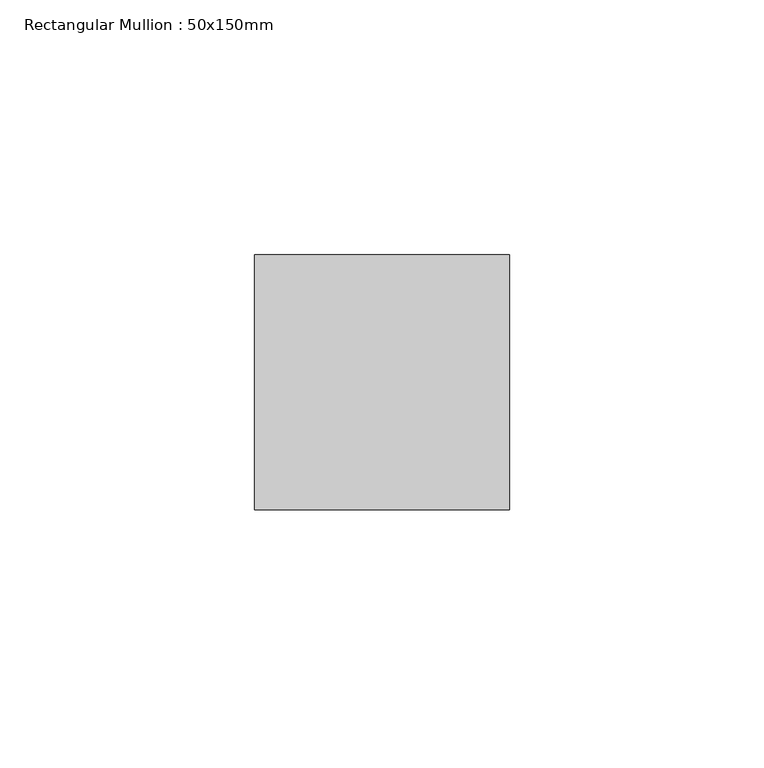
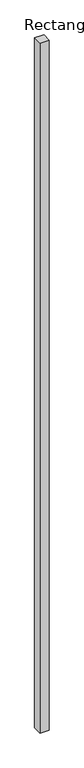
"""IFC4 building model written with IfcOpenShell, lengths in millimetres: member geometry, Rectangular Mullion : 50x150mm."""

from ifc_helpers import new_model, si_unit, frame, origin, place, context, project, spatial, polyline, outline, extrude, source, transform, mapped, element, save


def rectangular_mullion_50x150mm_dcd0afcf(model_context):
    return source(origin(), model_context, "Body", "SweptSolid", [
        extrude(outline(polyline([(25.0, 25.0), (25.0, -25.0), (-25.0, -25.0), (-25.0, 25.0), (25.0, 25.0)])), frame((0.0, 0.0, -3985.0), z_axis=(0.0, 0.0, 1.0), x_axis=(1.0, 0.0, 0.0)), (0.0, 0.0, 1.0), 3985.0),
    ])


if __name__ == "__main__":
    model = new_model("IFC4")
    model_context = context("Model", 3, world=origin())
    ifc_project = project(units=[si_unit("LENGTHUNIT", "METRE", prefix="MILLI")], contexts=[model_context])
    site = spatial("IfcSite", under=ifc_project)
    building = spatial("IfcBuilding", under=site)
    placement = place(None, origin())
    rectangular_mullion_50x150mm_shape = rectangular_mullion_50x150mm_dcd0afcf(model_context)
    element("IfcMember", 1, ObjectType="Rectangular Mullion : 50x150mm", at=placement, inside=building, context=model_context, shape_type="MappedRepresentation", body=[
        mapped(rectangular_mullion_50x150mm_shape, transform((0.0, 0.0, 0.0), x_axis=(1.0, 0.0, 0.0), y_axis=(0.0, 1.0, 0.0), z_axis=(0.0, 0.0, 1.0))),
    ])
    save(model, "model.ifc")
